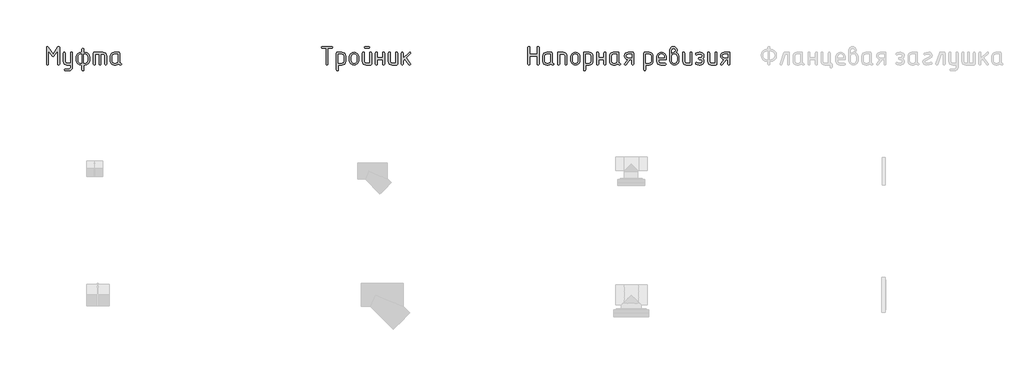
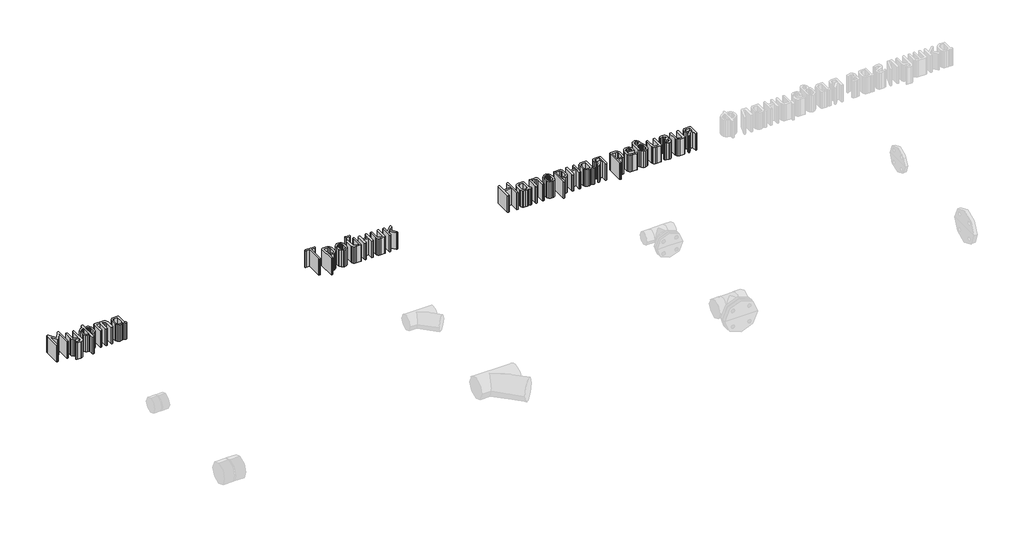
# One storey, part 2 of 3: 3 proxies.
"""IFC4 building model written with IfcOpenShell, lengths in millimetres."""

from ifc_helpers import new_model, si_unit, origin, origin_with_axes, place, context, project, spatial, polyline, outline, extrude, element, save

model = new_model("IFC4")

# Units and contexts
model_context = context("Model", 3, world=origin())
ifc_project = project(units=[si_unit("LENGTHUNIT", "METRE", prefix="MILLI")], contexts=[model_context])

# Site, building, storey
site = spatial("IfcSite", under=ifc_project)
building = spatial("IfcBuilding", under=site)
storey = spatial("IfcBuildingStorey", under=building, Elevation=0.0)

# Proxies
placement = place(None, origin())
element("IfcBuildingElementProxy", 1, Name="Generic Models", at=placement, inside=storey, context=model_context, shape_type="SweptSolid", body=[
    extrude(outline(polyline([(207732.0854709, 29746.7593811), (207738.3179208, 29744.8716679), (207740.3954041, 29739.2085283), (207740.3954041, 29603.4529845), (207738.4777272, 29597.7898449), (207732.7246965, 29595.9021317), (207726.9716658, 29597.7898449), (207725.0539889, 29603.4529845), (207725.0539889, 29714.3985834), (207694.8505777, 29668.5740959), (207687.9789022, 29664.0595648), (207681.0273234, 29668.5740959), (207650.9038155, 29714.3985834), (207650.9038155, 29603.4529845), (207648.9861386, 29597.7898449), (207643.2331079, 29595.9021317), (207637.4800772, 29597.7898449), (207635.5624003, 29603.4529845), (207635.5624003, 29739.2085283), (207637.599932, 29744.8716679), (207643.7125271, 29746.7593811), (207650.9038155, 29743.0039305), (207687.8590474, 29685.0341559), (207725.0539889, 29743.4433982), (207732.0854709, 29746.7593811)])), origin_with_axes(), (0.0, 0.0, 1.0), 150.0),
    extrude(outline(polyline([(207829.8869928, 29580.3210069), (207829.8869928, 29595.9021317), (207800.4826136, 29595.9021317), (207789.0914131, 29598.0844879), (207779.6079016, 29604.6315567), (207773.2106513, 29614.3048384), (207771.0782345, 29625.8658332), (207771.0782345, 29693.2641859), (207772.9959114, 29698.8673981), (207778.7489421, 29700.7351355), (207784.5019728, 29698.8673981), (207786.4196497, 29693.2641859), (207786.4196497, 29626.1454945), (207790.6944711, 29615.6581989), (207800.9220813, 29611.2435469), (207829.8869928, 29611.2435469), (207829.8869928, 29693.2641859), (207831.8046697, 29698.8673981), (207837.5577004, 29700.7351355), (207843.3107311, 29698.8474223), (207845.228408, 29693.1842827), (207845.228408, 29580.0413457), (207843.1259549, 29568.4304113), (207836.8185957, 29558.6872143), (207827.4449511, 29552.0802182), (207816.1436417, 29549.8778861), (207786.4196497, 29549.8778861), (207780.7864738, 29551.795563), (207778.9087485, 29557.5485937), (207781.1859898, 29562.9021084), (207786.4196497, 29565.2193013), (207815.3845612, 29565.2193013), (207825.7120504, 29569.5140985), (207829.8869928, 29580.3210069)])), origin_with_axes(), (0.0, 0.0, 1.0), 150.0),
    extrude(outline(polyline([(207921.935484, 29595.9021317), (207914.2647764, 29595.9021317), (207899.5076533, 29598.6388164), (207887.1176627, 29606.8488707), (207878.7128445, 29618.9442182), (207875.9112384, 29633.3367828), (207875.9112384, 29663.3004844), (207878.7128445, 29677.693049), (207887.1176627, 29689.7883966), (207899.5076533, 29697.9984508), (207914.2647764, 29700.7351355), (207921.935484, 29700.7351355), (207921.935484, 29723.7472583), (207923.8531609, 29729.500289), (207929.6061916, 29731.4179659), (207935.3592223, 29729.500289), (207937.2768992, 29723.7472583), (207937.2768992, 29700.7351355), (207959.8096027, 29698.0184266), (207969.5128481, 29692.3403051), (207976.9688158, 29684.1751965), (207981.7180625, 29674.2522173), (207983.3011447, 29663.3004844), (207983.3011447, 29633.3367828), (207980.4995386, 29618.9442182), (207972.0947204, 29606.8488707), (207959.7047298, 29598.6388164), (207944.9476067, 29595.9021317), (207937.2768992, 29595.9021317), (207937.2768992, 29557.5485937), (207935.3592223, 29551.795563), (207929.6061916, 29549.8778861), (207923.8531609, 29551.795563), (207921.935484, 29557.5485937), (207921.935484, 29595.9021317)]), holes=[polyline([(207921.935484, 29611.2435469), (207921.935484, 29685.3937203), (207914.2647764, 29685.3937203), (207905.4204904, 29683.7656926), (207897.9844985, 29678.8816092), (207892.9356148, 29671.6903208), (207891.2526536, 29663.140678), (207891.2526536, 29633.4965892), (207892.9256269, 29624.8720371), (207897.9445469, 29617.6957306), (207905.3705509, 29612.8565928), (207914.2647764, 29611.2435469), (207921.935484, 29611.2435469)]), polyline([(207937.2768992, 29611.2435469), (207944.9476067, 29611.2435469), (207953.7918927, 29612.8715747), (207961.2278846, 29617.755658), (207966.2767683, 29624.9469464), (207967.9597295, 29633.4965892), (207967.9597295, 29663.140678), (207966.2767683, 29671.6903208), (207961.2278846, 29678.8816092), (207953.7918927, 29683.7656926), (207944.9476067, 29685.3937203), (207937.2768992, 29685.3937203), (207937.2768992, 29611.2435469)])]), origin_with_axes(), (0.0, 0.0, 1.0), 150.0),
    extrude(outline(polyline([(208021.6546827, 29700.7351355), (208090.6910511, 29700.7351355), (208102.5167253, 29698.5527793), (208112.4247227, 29692.0057105), (208119.1365918, 29682.3324288), (208121.3738815, 29670.771434), (208121.3738815, 29603.3730813), (208119.4562046, 29597.7698691), (208113.7031739, 29595.9021317), (208107.9501432, 29597.7698691), (208106.0324663, 29603.3730813), (208106.0324663, 29670.4917728), (208101.6178143, 29681.0989231), (208090.6910511, 29685.3937203), (208075.3496359, 29685.3937203), (208075.3496359, 29603.3730813), (208073.431959, 29597.7698691), (208067.6789283, 29595.9021317), (208061.9258976, 29597.7698691), (208060.0082207, 29603.3730813), (208060.0082207, 29685.3937203), (208029.3253903, 29685.3937203), (208029.3253903, 29603.3730813), (208027.4077134, 29597.7698691), (208021.6546827, 29595.9021317), (208015.901652, 29597.7698691), (208013.9839751, 29603.3730813), (208013.9839751, 29693.2641859), (208015.901652, 29698.8673981), (208021.6546827, 29700.7351355)])), origin_with_axes(), (0.0, 0.0, 1.0), 150.0),
    extrude(outline(polyline([(208241.1887361, 29603.3730813), (208239.3209988, 29597.7698691), (208233.7177866, 29595.9021317), (208224.239269, 29597.8897239), (208216.6584525, 29603.8525005), (208207.5394993, 29597.8897239), (208196.5627966, 29595.9021317), (208181.7008007, 29595.9021317), (208170.2047272, 29598.0695061), (208160.6463064, 29604.5716293), (208154.2041105, 29614.2299291), (208152.0567119, 29625.8658332), (208152.0567119, 29670.771434), (208154.2041105, 29682.4073381), (208160.6463064, 29692.0656379), (208170.2047272, 29698.5677611), (208181.7008007, 29700.7351355), (208218.7758874, 29700.7351355), (208224.3491359, 29698.8673981), (208226.2068854, 29693.2641859), (208226.2068854, 29618.3549321), (208228.0796167, 29612.7517199), (208233.6978108, 29610.8839825), (208239.3160048, 29609.0062572), (208241.1887361, 29603.3730813)]), holes=[polyline([(208210.8654702, 29685.3937203), (208181.9005587, 29685.3937203), (208171.6329969, 29681.0589715), (208167.3981271, 29670.571676), (208167.3981271, 29626.0655913), (208171.6729485, 29615.6182473), (208181.9005587, 29611.2435469), (208196.3630386, 29611.2435469), (208206.6306004, 29615.5782957), (208210.8654702, 29626.0655913), (208210.8654702, 29685.3937203)])]), origin_with_axes(), (0.0, 0.0, 1.0), 150.0),
])
element("IfcBuildingElementProxy", 2, Name="Generic Models", at=placement, inside=storey, context=model_context, shape_type="SweptSolid", body=[
    extrude(outline(polyline([(209855.8216621, 29739.0886735), (209857.6993874, 29744.8417042), (209863.3325633, 29746.7593811), (209938.6812848, 29746.7593811), (209944.284497, 29744.8417042), (209946.1522344, 29739.0886735), (209944.284497, 29733.3356428), (209938.6812848, 29731.4179659), (209908.6776316, 29731.4179659), (209908.6776316, 29603.4130329), (209906.7599547, 29597.779857), (209901.006924, 29595.9021317), (209895.2538933, 29597.779857), (209893.3362164, 29603.4130329), (209893.3362164, 29731.4179659), (209863.3325633, 29731.4179659), (209857.6993874, 29733.3356428), (209855.8216621, 29739.0886735)])), origin_with_axes(), (0.0, 0.0, 1.0), 150.0),
    extrude(outline(polyline([(209977.714, 29693.1842827), (209979.5717495, 29698.8474223), (209985.144998, 29700.7351355), (210022.2200847, 29700.7351355), (210033.7161582, 29698.5677611), (210043.274579, 29692.0656379), (210049.7167748, 29682.4073381), (210051.8641735, 29670.771434), (210051.8641735, 29625.8658332), (210049.7317567, 29614.3048384), (210043.3345064, 29604.6315567), (210033.8509949, 29598.0844879), (210022.4597943, 29595.9021317), (209993.0554152, 29595.9021317), (209993.0554152, 29557.5485937), (209991.1377383, 29551.795563), (209985.3847076, 29549.8778861), (209979.6316769, 29551.7655993), (209977.714, 29557.4287389), (209977.714, 29693.1842827)]), holes=[polyline([(209993.0554152, 29685.3937203), (209993.0554152, 29611.2435469), (210022.0203267, 29611.2435469), (210032.2878884, 29615.5782957), (210036.5227583, 29626.0655913), (210036.5227583, 29670.571676), (210032.3478158, 29681.1188989), (210022.0203267, 29685.3937203), (209993.0554152, 29685.3937203)])]), origin_with_axes(), (0.0, 0.0, 1.0), 150.0),
    extrude(outline(polyline([(210082.5470039, 29633.3367828), (210082.5470039, 29663.3004844), (210085.2587188, 29677.693049), (210093.3938638, 29689.7883966), (210105.3743505, 29697.9984508), (210119.6220906, 29700.7351355), (210134.0196492, 29698.0284145), (210145.9701722, 29689.9082514), (210154.015426, 29677.8428675), (210156.6971773, 29663.3004844), (210156.6971773, 29633.3367828), (210153.9854623, 29618.9442182), (210145.8503173, 29606.8488707), (210133.8698307, 29598.6388164), (210119.6220906, 29595.9021317), (210105.3743505, 29598.6388164), (210093.3938638, 29606.8488707), (210085.2587188, 29618.9442182), (210082.5470039, 29633.3367828)]), holes=[polyline([(210141.3557621, 29633.7762505), (210141.3557621, 29663.7799036), (210139.762692, 29672.4094497), (210134.9834816, 29679.6806412), (210127.9569936, 29684.624652), (210119.6220906, 29686.2726556), (210111.2871876, 29684.624652), (210104.2606996, 29679.6806412), (210099.4814892, 29672.4094497), (210097.8884191, 29663.7799036), (210097.8884191, 29633.7762505), (210099.4665073, 29625.0668012), (210104.2007722, 29617.7956096), (210111.2122783, 29612.8815626), (210119.6220906, 29611.2435469), (210127.9569936, 29612.8915505), (210134.9834816, 29617.8355612), (210139.762692, 29625.1167407), (210141.3557621, 29633.7762505)])]), origin_with_axes(), (0.0, 0.0, 1.0), 150.0),
    extrude(outline(polyline([(210261.5301812, 29693.7835568), (210261.5301812, 29603.5728393), (210259.6724317, 29597.8198086), (210254.0991832, 29595.9021317), (210217.0240964, 29595.9021317), (210205.5280229, 29598.1194456), (210195.9696022, 29604.7713873), (210189.5274063, 29614.5795057), (210187.3800077, 29626.2653493), (210187.3800077, 29693.7835568), (210189.2976846, 29699.386769), (210195.0507153, 29701.2545064), (210200.803746, 29699.386769), (210202.7214229, 29693.7835568), (210202.7214229, 29626.2653493), (210206.9962443, 29615.6781747), (210217.2238545, 29611.2435469), (210246.188766, 29611.2435469), (210246.188766, 29693.7835568), (210248.1064429, 29699.386769), (210253.8594736, 29701.2545064), (210259.6125043, 29699.386769), (210261.5301812, 29693.7835568)])), origin_with_axes(), (0.0, 0.0, 1.0), 150.0),
    extrude(outline(polyline([(210238.9175744, 29731.4179659), (210209.9926145, 29731.4179659), (210204.5392208, 29733.3356428), (210202.7214229, 29739.0886735), (210204.5392208, 29744.8417042), (210209.9926145, 29746.7593811), (210238.9175744, 29746.7593811), (210244.3709681, 29744.8417042), (210246.188766, 29739.0886735), (210244.3709681, 29733.3356428), (210238.9175744, 29731.4179659)])), origin_with_axes(), (0.0, 0.0, 1.0), 150.0),
    extrude(outline(polyline([(210307.5544268, 29641.9263773), (210307.5544268, 29603.5728393), (210305.6367499, 29597.8198086), (210299.8837192, 29595.9021317), (210294.1306885, 29597.7698691), (210292.2130116, 29603.3730813), (210292.2130116, 29693.2641859), (210294.1306885, 29698.8673981), (210299.8837192, 29700.7351355), (210305.6367499, 29698.9273255), (210307.5544268, 29693.5038956), (210307.5544268, 29657.2677925), (210351.0217698, 29657.2677925), (210351.0217698, 29693.5038956), (210352.9394467, 29698.9273255), (210358.6924774, 29700.7351355), (210364.4455081, 29698.8673981), (210366.363185, 29693.2641859), (210366.363185, 29603.3730813), (210364.4455081, 29597.7698691), (210358.6924774, 29595.9021317), (210352.9394467, 29597.8198086), (210351.0217698, 29603.5728393), (210351.0217698, 29641.9263773), (210307.5544268, 29641.9263773)])), origin_with_axes(), (0.0, 0.0, 1.0), 150.0),
    extrude(outline(polyline([(210471.1961889, 29693.2641859), (210471.1961889, 29603.3730813), (210469.3384394, 29597.7698691), (210463.7651909, 29595.9021317), (210426.6901041, 29595.9021317), (210415.1940306, 29598.0695061), (210405.6356099, 29604.5716293), (210399.193414, 29614.2299291), (210397.0460154, 29625.8658332), (210397.0460154, 29693.2641859), (210398.9636923, 29698.8673981), (210404.716723, 29700.7351355), (210410.4697537, 29698.8673981), (210412.3874306, 29693.2641859), (210412.3874306, 29626.1454945), (210416.662252, 29615.6581989), (210426.8898622, 29611.2435469), (210455.8547737, 29611.2435469), (210455.8547737, 29693.2641859), (210457.7724506, 29698.8673981), (210463.5254813, 29700.7351355), (210469.278512, 29698.8673981), (210471.1961889, 29693.2641859)])), origin_with_axes(), (0.0, 0.0, 1.0), 150.0),
    extrude(outline(polyline([(210517.2204345, 29651.5147618), (210564.3633249, 29698.577749), (210569.7168396, 29700.7351355), (210575.3500155, 29698.8673981), (210577.2277408, 29693.2641859), (210574.9504995, 29688.0305261), (210541.9904277, 29655.110406), (210575.7495315, 29607.6878543), (210577.2277408, 29603.2931781), (210575.3500155, 29597.7498933), (210569.7168396, 29595.9021317), (210563.4843897, 29599.0982598), (210531.2034952, 29644.4433282), (210517.2204345, 29630.4602675), (210517.2204345, 29603.4130329), (210515.3027576, 29597.779857), (210509.5497269, 29595.9021317), (210503.7966962, 29597.7698691), (210501.8790193, 29603.3730813), (210501.8790193, 29693.2641859), (210503.7966962, 29698.8673981), (210509.5497269, 29700.7351355), (210515.3027576, 29698.8673981), (210517.2204345, 29693.2641859), (210517.2204345, 29651.5147618)])), origin_with_axes(), (0.0, 0.0, 1.0), 150.0),
])
element("IfcBuildingElementProxy", 3, Name="Generic Models", at=placement, inside=storey, context=model_context, shape_type="SweptSolid", body=[
    extrude(outline(polyline([(211524.9305406, 29603.4529845), (211524.9305406, 29739.2085283), (211526.8482175, 29744.8716679), (211532.6012482, 29746.7593811), (211538.3542789, 29744.8417042), (211540.2719558, 29739.0886735), (211540.2719558, 29685.3937203), (211599.080714, 29685.3937203), (211599.080714, 29739.0886735), (211600.9983909, 29744.8417042), (211606.7514216, 29746.7593811), (211612.5044523, 29744.8716679), (211614.4221292, 29739.2085283), (211614.4221292, 29603.4529845), (211612.5044523, 29597.7898449), (211606.7514216, 29595.9021317), (211600.9983909, 29597.7598812), (211599.080714, 29603.3331297), (211599.080714, 29670.0523051), (211540.2719558, 29670.0523051), (211540.2719558, 29603.3331297), (211538.3542789, 29597.7598812), (211532.6012482, 29595.9021317), (211526.8482175, 29597.7898449), (211524.9305406, 29603.4529845)])), origin_with_axes(), (0.0, 0.0, 1.0), 150.0),
    extrude(outline(polyline([(211734.2369839, 29603.3730813), (211732.3692465, 29597.7698691), (211726.7660343, 29595.9021317), (211717.2875167, 29597.8897239), (211709.7067002, 29603.8525005), (211700.587747, 29597.8897239), (211689.6110443, 29595.9021317), (211674.7490484, 29595.9021317), (211663.2529749, 29598.0695061), (211653.6945541, 29604.5716293), (211647.2523582, 29614.2299291), (211645.1049596, 29625.8658332), (211645.1049596, 29670.771434), (211647.2523582, 29682.4073381), (211653.6945541, 29692.0656379), (211663.2529749, 29698.5677611), (211674.7490484, 29700.7351355), (211711.8241351, 29700.7351355), (211717.3973836, 29698.8673981), (211719.2551331, 29693.2641859), (211719.2551331, 29618.3549321), (211721.1278644, 29612.7517199), (211726.7460585, 29610.8839825), (211732.3642525, 29609.0062572), (211734.2369839, 29603.3730813)]), holes=[polyline([(211703.9137179, 29685.3937203), (211674.9488064, 29685.3937203), (211664.6812446, 29681.0589715), (211660.4463748, 29670.571676), (211660.4463748, 29626.0655913), (211664.7211962, 29615.6182473), (211674.9488064, 29611.2435469), (211689.4112863, 29611.2435469), (211699.6788481, 29615.5782957), (211703.9137179, 29626.0655913), (211703.9137179, 29685.3937203)])]), origin_with_axes(), (0.0, 0.0, 1.0), 150.0),
    extrude(outline(polyline([(211765.2793787, 29603.3730813), (211765.2793787, 29693.2641859), (211767.1371282, 29698.8673981), (211772.7103767, 29700.7351355), (211809.7854634, 29700.7351355), (211821.2066276, 29698.5527793), (211830.7800303, 29692.0057105), (211837.2671717, 29682.3324288), (211839.4295521, 29670.771434), (211839.4295521, 29603.3730813), (211837.5118752, 29597.7698691), (211831.7588445, 29595.9021317), (211826.0058138, 29597.7698691), (211824.0881369, 29603.3730813), (211824.0881369, 29670.4917728), (211819.9131945, 29681.0989231), (211809.5857054, 29685.3937203), (211780.6207939, 29685.3937203), (211780.6207939, 29603.3730813), (211778.703117, 29597.7698691), (211772.9500863, 29595.9021317), (211767.1970556, 29597.7698691), (211765.2793787, 29603.3730813)])), origin_with_axes(), (0.0, 0.0, 1.0), 150.0),
    extrude(outline(polyline([(211870.1123825, 29633.3367828), (211870.1123825, 29663.3004844), (211872.8240975, 29677.693049), (211880.9592425, 29689.7883966), (211892.9397292, 29697.9984508), (211907.1874693, 29700.7351355), (211921.5850279, 29698.0284145), (211933.5355508, 29689.9082514), (211941.5808047, 29677.8428675), (211944.262556, 29663.3004844), (211944.262556, 29633.3367828), (211941.550841, 29618.9442182), (211933.415696, 29606.8488707), (211921.4352093, 29598.6388164), (211907.1874693, 29595.9021317), (211892.9397292, 29598.6388164), (211880.9592425, 29606.8488707), (211872.8240975, 29618.9442182), (211870.1123825, 29633.3367828)]), holes=[polyline([(211928.9211408, 29633.7762505), (211928.9211408, 29663.7799036), (211927.3280706, 29672.4094497), (211922.5488603, 29679.6806412), (211915.5223722, 29684.624652), (211907.1874693, 29686.2726556), (211898.8525663, 29684.624652), (211891.8260783, 29679.6806412), (211887.0468679, 29672.4094497), (211885.4537977, 29663.7799036), (211885.4537977, 29633.7762505), (211887.031886, 29625.0668012), (211891.7661508, 29617.7956096), (211898.777657, 29612.8815626), (211907.1874693, 29611.2435469), (211915.5223722, 29612.8915505), (211922.5488603, 29617.8355612), (211927.3280706, 29625.1167407), (211928.9211408, 29633.7762505)])]), origin_with_axes(), (0.0, 0.0, 1.0), 150.0),
    extrude(outline(polyline([(211974.9453864, 29693.1842827), (211976.8031359, 29698.8474223), (211982.3763844, 29700.7351355), (212019.4514711, 29700.7351355), (212030.9475446, 29698.5677611), (212040.5059654, 29692.0656379), (212046.9481612, 29682.4073381), (212049.0955598, 29670.771434), (212049.0955598, 29625.8658332), (212046.9631431, 29614.3048384), (212040.5658928, 29604.6315567), (212031.0823812, 29598.0844879), (212019.6911807, 29595.9021317), (211990.2868016, 29595.9021317), (211990.2868016, 29557.5485937), (211988.3691247, 29551.795563), (211982.616094, 29549.8778861), (211976.8630633, 29551.7655993), (211974.9453864, 29557.4287389), (211974.9453864, 29693.1842827)]), holes=[polyline([(211990.2868016, 29685.3937203), (211990.2868016, 29611.2435469), (212019.2517131, 29611.2435469), (212029.5192748, 29615.5782957), (212033.7541446, 29626.0655913), (212033.7541446, 29670.571676), (212029.5792022, 29681.1188989), (212019.2517131, 29685.3937203), (211990.2868016, 29685.3937203)])]), origin_with_axes(), (0.0, 0.0, 1.0), 150.0),
    extrude(outline(polyline([(212095.1198054, 29641.9263773), (212095.1198054, 29603.5728393), (212093.2021285, 29597.8198086), (212087.4490978, 29595.9021317), (212081.6960671, 29597.7698691), (212079.7783902, 29603.3730813), (212079.7783902, 29693.2641859), (212081.6960671, 29698.8673981), (212087.4490978, 29700.7351355), (212093.2021285, 29698.9273255), (212095.1198054, 29693.5038956), (212095.1198054, 29657.2677925), (212138.5871485, 29657.2677925), (212138.5871485, 29693.5038956), (212140.5048254, 29698.9273255), (212146.2578561, 29700.7351355), (212152.0108868, 29698.8673981), (212153.9285637, 29693.2641859), (212153.9285637, 29603.3730813), (212152.0108868, 29597.7698691), (212146.2578561, 29595.9021317), (212140.5048254, 29597.8198086), (212138.5871485, 29603.5728393), (212138.5871485, 29641.9263773), (212095.1198054, 29641.9263773)])), origin_with_axes(), (0.0, 0.0, 1.0), 150.0),
    extrude(outline(polyline([(212273.7434183, 29603.3730813), (212271.8756809, 29597.7698691), (212266.2724687, 29595.9021317), (212256.7939511, 29597.8897239), (212249.2131346, 29603.8525005), (212240.0941815, 29597.8897239), (212229.1174788, 29595.9021317), (212214.2554828, 29595.9021317), (212202.7594093, 29598.0695061), (212193.2009885, 29604.5716293), (212186.7587927, 29614.2299291), (212184.6113941, 29625.8658332), (212184.6113941, 29670.771434), (212186.7587927, 29682.4073381), (212193.2009885, 29692.0656379), (212202.7594093, 29698.5677611), (212214.2554828, 29700.7351355), (212251.3305695, 29700.7351355), (212256.903818, 29698.8673981), (212258.7615675, 29693.2641859), (212258.7615675, 29618.3549321), (212260.6342989, 29612.7517199), (212266.2524929, 29610.8839825), (212271.870687, 29609.0062572), (212273.7434183, 29603.3730813)]), holes=[polyline([(212243.4201523, 29685.3937203), (212214.4552408, 29685.3937203), (212204.1876791, 29681.0589715), (212199.9528093, 29670.571676), (212199.9528093, 29626.0655913), (212204.2276307, 29615.6182473), (212214.4552408, 29611.2435469), (212228.9177208, 29611.2435469), (212239.1852825, 29615.5782957), (212243.4201523, 29626.0655913), (212243.4201523, 29685.3937203)])]), origin_with_axes(), (0.0, 0.0, 1.0), 150.0),
    extrude(outline(polyline([(212330.3148868, 29641.047442), (212319.7327062, 29644.1686609), (212311.1580937, 29650.8156087), (212305.4799722, 29660.0094712), (212303.5872651, 29670.771434), (212305.7646274, 29682.4073381), (212312.2967143, 29692.0656379), (212321.9749899, 29698.5677611), (212333.5909182, 29700.7351355), (212371.265279, 29700.7351355), (212377.0183097, 29698.8673981), (212378.9359866, 29693.2641859), (212378.9359866, 29603.3730813), (212377.0183097, 29597.7698691), (212371.265279, 29595.9021317), (212365.5122483, 29597.779857), (212363.5945714, 29603.4130329), (212363.5945714, 29640.8876356), (212348.373011, 29640.8876356), (212317.1308582, 29598.978405), (212311.0981662, 29595.9021317), (212305.4649904, 29597.7698691), (212303.5872651, 29603.3730813), (212305.0654743, 29607.9275639), (212330.3148868, 29641.047442)]), holes=[polyline([(212318.6090674, 29670.371918), (212323.0436953, 29659.824695), (212333.5909182, 29655.3900672), (212363.5945714, 29655.3900672), (212363.5945714, 29685.3937203), (212333.5909182, 29685.3937203), (212322.9837679, 29681.0190199), (212318.6090674, 29670.371918)])]), origin_with_axes(), (0.0, 0.0, 1.0), 150.0),
    extrude(outline(polyline([(212460.7568676, 29693.1842827), (212462.6146171, 29698.8474223), (212468.1878656, 29700.7351355), (212505.2629523, 29700.7351355), (212516.7590258, 29698.5677611), (212526.3174466, 29692.0656379), (212532.7596425, 29682.4073381), (212534.9070411, 29670.771434), (212534.9070411, 29625.8658332), (212532.7746243, 29614.3048384), (212526.377374, 29604.6315567), (212516.8938625, 29598.0844879), (212505.502662, 29595.9021317), (212476.0982828, 29595.9021317), (212476.0982828, 29557.5485937), (212474.1806059, 29551.795563), (212468.4275752, 29549.8778861), (212462.6745445, 29551.7655993), (212460.7568676, 29557.4287389), (212460.7568676, 29693.1842827)]), holes=[polyline([(212476.0982828, 29685.3937203), (212476.0982828, 29611.2435469), (212505.0631943, 29611.2435469), (212515.3307561, 29615.5782957), (212519.5656259, 29626.0655913), (212519.5656259, 29670.571676), (212515.3906835, 29681.1188989), (212505.0631943, 29685.3937203), (212476.0982828, 29685.3937203)])]), origin_with_axes(), (0.0, 0.0, 1.0), 150.0),
    extrude(outline(polyline([(212580.9312867, 29641.9263773), (212580.9312867, 29626.5849621), (212585.3659145, 29615.7780537), (212595.9131375, 29611.2435469), (212633.4276918, 29611.2435469), (212639.0608677, 29609.32587), (212640.938593, 29603.5728393), (212639.0608677, 29597.8198086), (212633.4276918, 29595.9021317), (212595.9131375, 29595.9021317), (212584.2572575, 29598.0695061), (212574.4591271, 29604.5716293), (212567.8071854, 29614.2299291), (212565.5898715, 29625.8658332), (212565.5898715, 29663.3004844), (212568.3715018, 29677.693049), (212576.7163927, 29689.7883966), (212588.9565647, 29697.9984508), (212603.4240386, 29700.7351355), (212618.0013795, 29698.078354), (212630.091733, 29690.1080094), (212638.226878, 29678.2623594), (212640.938593, 29663.9796616), (212640.938593, 29641.9263773), (212580.9312867, 29641.9263773)]), holes=[polyline([(212603.4240386, 29687.2714456), (212594.7944926, 29685.623442), (212587.523301, 29680.6794313), (212582.5792903, 29673.4082397), (212580.9312867, 29664.7786937), (212580.9312867, 29657.2677925), (212625.9167906, 29657.2677925), (212625.9167906, 29664.7786937), (212624.268787, 29673.4082397), (212619.3247763, 29680.6794313), (212612.0535847, 29685.623442), (212603.4240386, 29687.2714456)])]), origin_with_axes(), (0.0, 0.0, 1.0), 150.0),
    extrude(outline(polyline([(212722.3200064, 29698.4179426), (212731.4938931, 29692.7797728), (212738.5603327, 29684.5747125), (212744.5730488, 29663.7799036), (212744.5730488, 29633.616444), (212741.8613338, 29619.0391032), (212733.7261888, 29606.8688465), (212721.7457021, 29598.6438104), (212707.4979621, 29595.9021317), (212693.1753127, 29598.6587922), (212681.2098079, 29606.9287739), (212673.1196085, 29619.1140125), (212670.4228753, 29633.616444), (212670.4228753, 29716.5959216), (212672.56528, 29728.2817652), (212678.992494, 29738.0099803), (212688.4859934, 29744.5720309), (212699.8272545, 29746.7593811), (212711.218455, 29744.5570491), (212720.7019665, 29737.9500529), (212727.0992168, 29728.2068559), (212729.2316336, 29716.5959216), (212727.5037268, 29706.3383477), (212722.3200064, 29698.4179426)]), holes=[polyline([(212685.7642905, 29693.4239924), (212703.2630922, 29700.8949419), (212711.8926383, 29706.1286018), (212715.7679437, 29715.9167443), (212711.4531707, 29726.5838221), (212700.7461413, 29730.8985951), (212690.138991, 29726.5238947), (212685.7642905, 29715.9167443), (212685.7642905, 29693.4239924)]), polyline([(212729.2316336, 29633.7762505), (212729.2316336, 29663.7799036), (212727.6535453, 29672.4094497), (212722.9192805, 29679.6806412), (212715.9077743, 29684.624652), (212707.4979621, 29686.2726556), (212699.0881498, 29684.624652), (212692.0766437, 29679.6806412), (212687.3423788, 29672.4094497), (212685.7642905, 29663.7799036), (212685.7642905, 29633.7762505), (212687.3423788, 29625.0668012), (212692.0766437, 29617.7956096), (212699.0881498, 29612.8815626), (212707.4979621, 29611.2435469), (212715.9077743, 29612.8915505), (212722.9192805, 29617.8355612), (212727.6535453, 29625.1167407), (212729.2316336, 29633.7762505)])]), origin_with_axes(), (0.0, 0.0, 1.0), 150.0),
    extrude(outline(polyline([(212849.4060526, 29693.2641859), (212849.4060526, 29603.3730813), (212847.5483031, 29597.7698691), (212841.9750546, 29595.9021317), (212804.8999679, 29595.9021317), (212793.4038944, 29598.0695061), (212783.8454736, 29604.5716293), (212777.4032778, 29614.2299291), (212775.2558792, 29625.8658332), (212775.2558792, 29693.2641859), (212777.1735561, 29698.8673981), (212782.9265868, 29700.7351355), (212788.6796175, 29698.8673981), (212790.5972944, 29693.2641859), (212790.5972944, 29626.1454945), (212794.8721158, 29615.6581989), (212805.0997259, 29611.2435469), (212834.0646374, 29611.2435469), (212834.0646374, 29693.2641859), (212835.9823143, 29698.8673981), (212841.735345, 29700.7351355), (212847.4883757, 29698.8673981), (212849.4060526, 29693.2641859)])), origin_with_axes(), (0.0, 0.0, 1.0), 150.0),
    extrude(outline(polyline([(212931.2269337, 29626.6249137), (212927.2317735, 29637.9711687), (212918.3625178, 29641.9263773), (212908.6942301, 29641.9263773), (212903.380667, 29644.1237154), (212901.2232805, 29649.5571333), (212903.4405944, 29655.010527), (212910.8516166, 29657.2677925), (212913.1288579, 29657.2677925), (212915.5259541, 29657.2677925), (212927.1918219, 29661.3228801), (212931.2269337, 29671.3307564), (212926.8921849, 29681.3386327), (212916.2051313, 29685.3937203), (212908.6942301, 29685.3937203), (212893.3128633, 29681.5783423), (212884.4036561, 29677.7629643), (212880.4084958, 29680.4996491), (212878.690577, 29685.7532848), (212881.7668503, 29691.4963276), (212890.9956704, 29696.6600721), (212908.6942301, 29700.7351355), (212916.2051313, 29700.7351355), (212927.8909749, 29698.6177006), (212937.6990932, 29692.2653959), (212944.351035, 29682.8468057), (212946.5683489, 29671.5305144), (212943.9215552, 29658.2366188), (212935.9811743, 29649.5970849), (212943.9215552, 29640.4082164), (212946.5683489, 29626.5849621), (212944.351035, 29614.6843786), (212937.6990932, 29604.7913631), (212927.8909749, 29598.1244395), (212916.2051313, 29595.9021317), (212908.6942301, 29595.9021317), (212890.8758156, 29599.8573403), (212881.7368866, 29604.9311938), (212878.690577, 29610.8839825), (212880.4084958, 29616.1575939), (212884.5235109, 29618.8743029), (212893.6524519, 29615.0589249), (212908.6942301, 29611.2435469), (212916.2051313, 29611.2435469), (212926.8522333, 29615.7381021), (212931.2269337, 29626.6249137)])), origin_with_axes(), (0.0, 0.0, 1.0), 150.0),
    extrude(outline(polyline([(213051.4013527, 29693.2641859), (213051.4013527, 29603.3730813), (213049.5436032, 29597.7698691), (213043.9703547, 29595.9021317), (213006.895268, 29595.9021317), (212995.3991945, 29598.0695061), (212985.8407737, 29604.5716293), (212979.3985779, 29614.2299291), (212977.2511793, 29625.8658332), (212977.2511793, 29693.2641859), (212979.1688562, 29698.8673981), (212984.9218869, 29700.7351355), (212990.6749176, 29698.8673981), (212992.5925945, 29693.2641859), (212992.5925945, 29626.1454945), (212996.8674159, 29615.6581989), (213007.095026, 29611.2435469), (213036.0599375, 29611.2435469), (213036.0599375, 29693.2641859), (213037.9776144, 29698.8673981), (213043.7306451, 29700.7351355), (213049.4836758, 29698.8673981), (213051.4013527, 29693.2641859)])), origin_with_axes(), (0.0, 0.0, 1.0), 150.0),
    extrude(outline(polyline([(213107.6132569, 29641.047442), (213097.0310763, 29644.1686609), (213088.4564637, 29650.8156087), (213082.7783422, 29660.0094712), (213080.8856351, 29670.771434), (213083.0629974, 29682.4073381), (213089.5950843, 29692.0656379), (213099.2733599, 29698.5677611), (213110.8892882, 29700.7351355), (213148.563649, 29700.7351355), (213154.3166797, 29698.8673981), (213156.2343566, 29693.2641859), (213156.2343566, 29603.3730813), (213154.3166797, 29597.7698691), (213148.563649, 29595.9021317), (213142.8106183, 29597.779857), (213140.8929414, 29603.4130329), (213140.8929414, 29640.8876356), (213125.671381, 29640.8876356), (213094.4292282, 29598.978405), (213088.3965363, 29595.9021317), (213082.7633604, 29597.7698691), (213080.8856351, 29603.3730813), (213082.3638443, 29607.9275639), (213107.6132569, 29641.047442)]), holes=[polyline([(213095.9074374, 29670.371918), (213100.3420653, 29659.824695), (213110.8892882, 29655.3900672), (213140.8929414, 29655.3900672), (213140.8929414, 29685.3937203), (213110.8892882, 29685.3937203), (213100.2821379, 29681.0190199), (213095.9074374, 29670.371918)])]), origin_with_axes(), (0.0, 0.0, 1.0), 150.0),
])

save(model, "model.ifc")
